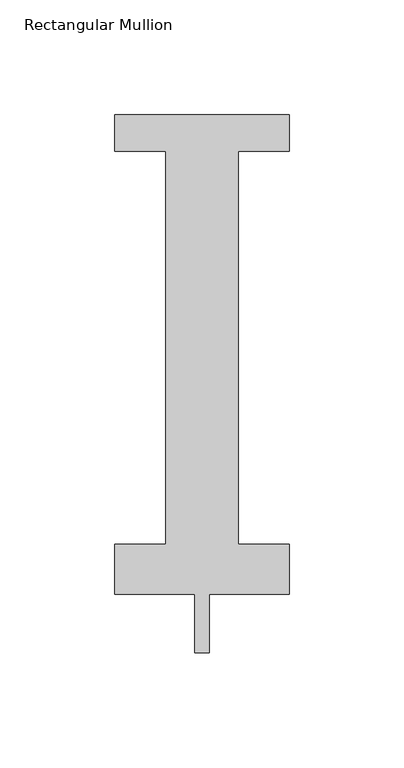
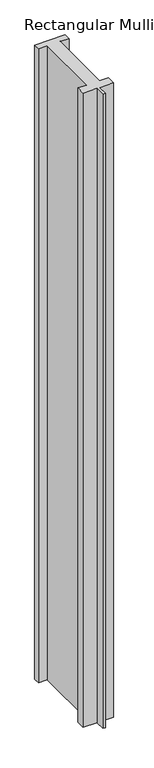
"""IFC4 building model written with IfcOpenShell, lengths in millimetres: member geometry, Rectangular Mullion."""

from ifc_helpers import new_model, si_unit, frame, origin, place, context, project, spatial, polyline, outline, extrude, source, transform, mapped, element, save


def rectangular_mullion_cd7625b9(model_context):
    return source(origin(), model_context, "Body", "SweptSolid", [
        extrude(outline(polyline([(38.1, 221.996), (38.1, 206.121), (15.875, 206.121), (15.875, 34.671), (38.1, 34.671), (38.1, 12.7), (3.175, 12.7), (3.175, -12.7), (-3.175, -12.7), (-3.175, 12.7), (-38.1, 12.7), (-38.1, 34.671), (-15.875, 34.671), (-15.875, 206.121), (-38.1, 206.121), (-38.1, 221.996), (38.1, 221.996)])), frame((0.0, 0.0, -1676.4), z_axis=(0.0, 0.0, 1.0), x_axis=(1.0, 0.0, 0.0)), (0.0, 0.0, 1.0), 1676.4),
    ])


if __name__ == "__main__":
    model = new_model("IFC4")
    model_context = context("Model", 3, world=origin())
    ifc_project = project(units=[si_unit("LENGTHUNIT", "METRE", prefix="MILLI")], contexts=[model_context])
    site = spatial("IfcSite", under=ifc_project)
    building = spatial("IfcBuilding", under=site)
    placement = place(None, origin())
    rectangular_mullion_shape = rectangular_mullion_cd7625b9(model_context)
    element("IfcMember", 1, ObjectType="Rectangular Mullion", at=placement, inside=building, context=model_context, shape_type="MappedRepresentation", body=[
        mapped(rectangular_mullion_shape, transform((0.0, 0.0, 0.0), x_axis=(1.0, 0.0, 0.0), y_axis=(0.0, 1.0, 0.0), z_axis=(0.0, 0.0, 1.0))),
    ])
    save(model, "model.ifc")
